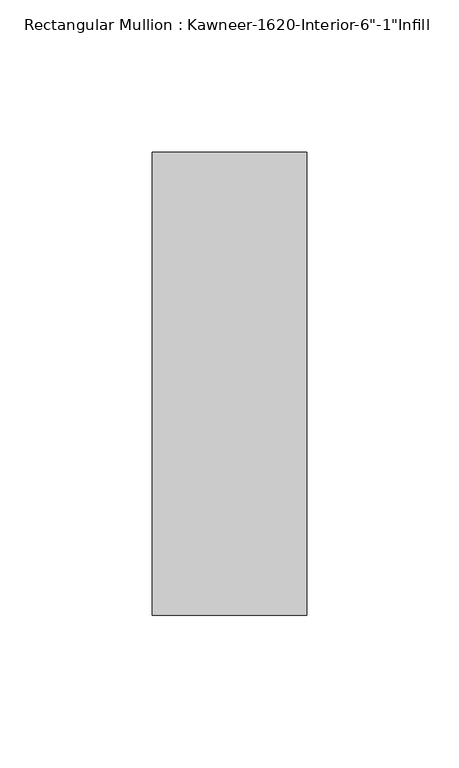
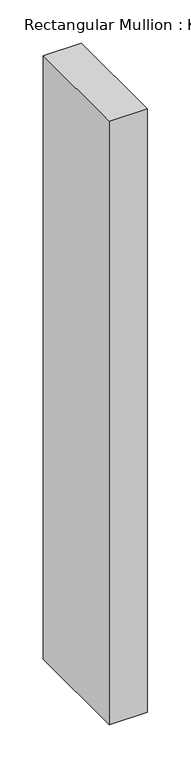
"""IFC4 building model written with IfcOpenShell, lengths in millimetres: member geometry."""

from ifc_helpers import new_model, si_unit, frame, origin, place, context, project, spatial, polyline, outline, extrude, source, transform, mapped, element, save


def member_6084e420(model_context):
    return source(origin(), model_context, "Body", "SweptSolid", [
        extrude(outline(polyline([(25.4, -114.3), (-25.4, -114.3), (-25.4, 38.1), (25.4, 38.1), (25.4, -114.3)])), frame((0.0, 0.0, -850.9), z_axis=(0.0, 0.0, 1.0), x_axis=(1.0, 0.0, 0.0)), (0.0, 0.0, 1.0), 850.9),
    ])


if __name__ == "__main__":
    model = new_model("IFC4")
    model_context = context("Model", 3, world=origin())
    ifc_project = project(units=[si_unit("LENGTHUNIT", "METRE", prefix="MILLI")], contexts=[model_context])
    site = spatial("IfcSite", under=ifc_project)
    building = spatial("IfcBuilding", under=site)
    placement = place(None, origin())
    member_shape = member_6084e420(model_context)
    element("IfcMember", 1, ObjectType="Rectangular Mullion : Kawneer-1620-Interior-6\"-1\"Infill", at=placement, inside=building, context=model_context, shape_type="MappedRepresentation", body=[
        mapped(member_shape, transform((0.0, 0.0, 0.0), x_axis=(1.0, 0.0, 0.0), y_axis=(0.0, 1.0, 0.0), z_axis=(0.0, 0.0, 1.0))),
    ])
    save(model, "model.ifc")
